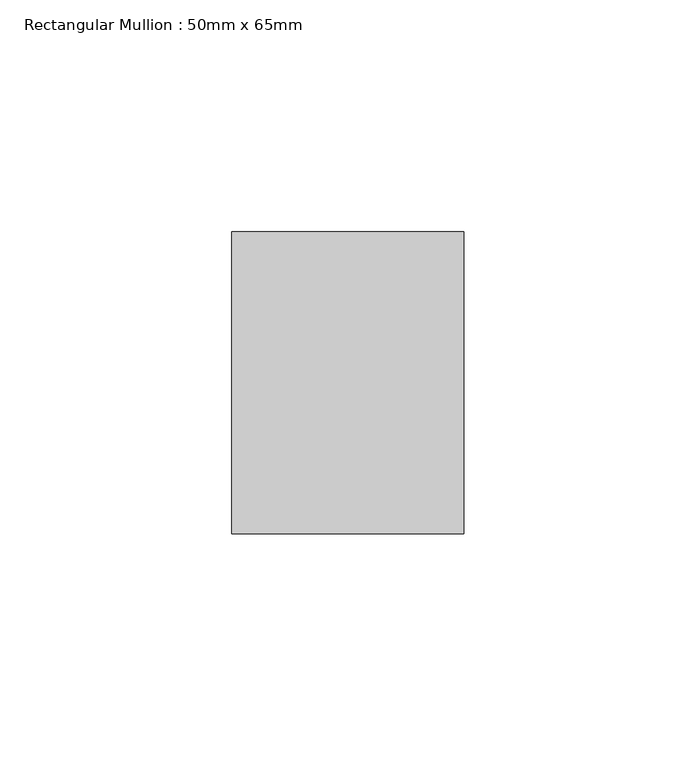
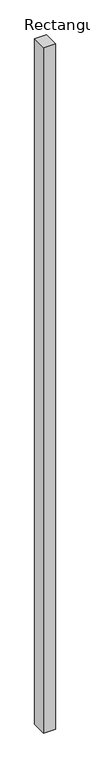
"""IFC4 building model written with IfcOpenShell, lengths in millimetres: member geometry, Rectangular Mullion : 50mm x 65mm."""

import ifcopenshell
import ifcopenshell.guid

model = None  # the IFC model being written
_history = None  # IfcOwnerHistory: only IFC2X3 demands one
_inside = {}  # id of a spatial element -> (the spatial element, [elements in it])
_under = {}  # id of a project, library or spatial element -> (it, [spatial elements below it])
_declared = {}  # id of a project -> (the project, [libraries it declares])
_typed = {}  # id of a type object -> (the type object, [elements of that type])
_made_of = {}  # id of a material, layer set ... -> (it, [elements and type objects made of it])


def new_model(schema):
    """Start an empty IFC model of exactly this schema.

    Asked for "IFC4X3", IfcOpenShell would pick the latest addendum, in which some entities
    have other attributes; the version numbers below select the first issue.
    IFC2X3 requires an IfcOwnerHistory on every rooted entity: one is made here for all.
    """
    global model, _history
    if schema == "IFC4X3":
        model = ifcopenshell.file(schema_version=(4, 3, 0, 0))
    else:
        model = ifcopenshell.file(schema=schema)
    _inside.clear()
    _under.clear()
    _declared.clear()
    _typed.clear()
    _made_of.clear()
    _history = None
    if model.schema == "IFC2X3":
        org = make("IfcOrganization", Name="unknown")
        user = make(
            "IfcPersonAndOrganization",
            ThePerson=make("IfcPerson", FamilyName="unknown"),
            TheOrganization=org,
        )
        app = make(
            "IfcApplication",
            ApplicationDeveloper=org,
            Version="unknown",
            ApplicationFullName="unknown",
            ApplicationIdentifier="unknown",
        )
        _history = make(
            "IfcOwnerHistory",
            OwningUser=user,
            OwningApplication=app,
            ChangeAction="ADDED",
            CreationDate=0,
        )
    return model


def make(cls, **values):
    """One entity of the class cls with the attributes given. An attribute that is None is left unset."""
    return model.create_entity(
        cls, **{name: value for name, value in values.items() if value is not None}
    )


def rooted(cls, **values):
    """An entity with a GlobalId (a new one), such as an element, a storey or a relation."""
    return make(cls, GlobalId=ifcopenshell.guid.new(), OwnerHistory=_history, **values)


def si_unit(unit_type, name, prefix=None):
    """IfcSIUnit, for example si_unit("LENGTHUNIT", "METRE", prefix="MILLI")."""
    return make("IfcSIUnit", UnitType=unit_type, Prefix=prefix, Name=name)


def assignment(units):
    """IfcUnitAssignment: the units of a project."""
    return None if units is None else make("IfcUnitAssignment", Units=units)


def point(xyz):
    """IfcCartesianPoint."""
    return None if xyz is None else make("IfcCartesianPoint", Coordinates=xyz)


def direction(xyz):
    """IfcDirection."""
    return None if xyz is None else make("IfcDirection", DirectionRatios=xyz)


def frame(location, z_axis=None, x_axis=None):
    """IfcAxis2Placement3D, a coordinate frame: its origin and axes. An axis left out is left unset."""
    return make(
        "IfcAxis2Placement3D",
        Location=point(location),
        Axis=direction(z_axis),
        RefDirection=direction(x_axis),
    )


def origin():
    """The frame at (0, 0, 0) with its axes left unset."""
    return frame((0.0, 0.0, 0.0))


def place(relative_to, where):
    """IfcLocalPlacement: puts the frame where relative to a parent placement (None: the world)."""
    return make(
        "IfcLocalPlacement", PlacementRelTo=relative_to, RelativePlacement=where
    )


def context(
    kind, dimensions, precision=None, world=None, true_north=None, identifier=None
):
    """IfcGeometricRepresentationContext, for example the 3D "Model" context."""
    return make(
        "IfcGeometricRepresentationContext",
        ContextIdentifier=identifier,
        ContextType=kind,
        CoordinateSpaceDimension=dimensions,
        Precision=precision,
        WorldCoordinateSystem=world,
        TrueNorth=true_north,
    )


def project(units=None, contexts=None):
    """IfcProject with its units and contexts."""
    return rooted(
        "IfcProject",
        Name="project",
        RepresentationContexts=contexts,
        UnitsInContext=assignment(units),
    )


def spatial(cls, under=None, at=None, **own):
    """A site, building, storey or space (cls), placed at a placement, below another one or the project."""
    s = rooted(cls, ObjectPlacement=at, **own)
    if under is not None:
        _under.setdefault(under.id(), (under, []))[1].append(s)
    return s


def polyline(points):
    """IfcPolyline through the points."""
    return make("IfcPolyline", Points=[point(p) for p in points])


def outline(outer, holes=None, kind="AREA"):
    """IfcArbitraryClosedProfileDef: a profile drawn as a closed curve; with holes, ...WithVoids."""
    if holes is None:
        return make("IfcArbitraryClosedProfileDef", ProfileType=kind, OuterCurve=outer)
    return make(
        "IfcArbitraryProfileDefWithVoids",
        ProfileType=kind,
        OuterCurve=outer,
        InnerCurves=holes,
    )


def extrude(swept, where, along, depth):
    """IfcExtrudedAreaSolid: the profile swept, set in the frame where, extruded along a direction by depth."""
    return make(
        "IfcExtrudedAreaSolid",
        SweptArea=swept,
        Position=where,
        ExtrudedDirection=direction(along),
        Depth=depth,
    )


def shape(context_of_items, identifier, shape_type, items):
    """IfcShapeRepresentation: the items that make up one representation, for example the "Body"."""
    return make(
        "IfcShapeRepresentation",
        ContextOfItems=context_of_items,
        RepresentationIdentifier=identifier,
        RepresentationType=shape_type,
        Items=items,
    )


def source(mapping_origin, context_of_items, identifier, shape_type, items):
    """IfcRepresentationMap: a shape defined once, which mapped items show again and again."""
    return make(
        "IfcRepresentationMap",
        MappingOrigin=mapping_origin,
        MappedRepresentation=shape(context_of_items, identifier, shape_type, items),
    )


def transform(
    local_origin,
    x_axis=None,
    y_axis=None,
    z_axis=None,
    scale=None,
    scale2=None,
    scale3=None,
    uniform=True,
):
    """IfcCartesianTransformationOperator3D, or its non-uniform kind. x_axis, y_axis, z_axis: its Axis1, 2, 3."""
    if uniform:
        return make(
            "IfcCartesianTransformationOperator3D",
            Axis1=direction(x_axis),
            Axis2=direction(y_axis),
            LocalOrigin=point(local_origin),
            Scale=scale,
            Axis3=direction(z_axis),
        )
    return make(
        "IfcCartesianTransformationOperator3DnonUniform",
        Axis1=direction(x_axis),
        Axis2=direction(y_axis),
        LocalOrigin=point(local_origin),
        Scale=scale,
        Axis3=direction(z_axis),
        Scale2=scale2,
        Scale3=scale3,
    )


def mapped(mapping_source, mapping_target):
    """IfcMappedItem: shows the shape of a source again, moved by a transform."""
    return make(
        "IfcMappedItem", MappingSource=mapping_source, MappingTarget=mapping_target
    )


def made_of(thing, what):
    """Note that an element or type object is made of a material, layer set ...; save() writes the relation."""
    if what is not None:
        _made_of.setdefault(what.id(), (what, []))[1].append(thing)
    return thing


def element(
    cls,
    number,
    at=None,
    inside=None,
    cuts=None,
    type_object=None,
    material=None,
    context=None,
    identifier="Body",
    shape_type=None,
    held_by="IfcProductDefinitionShape",
    body=None,
    shapes=None,
    **own,
):
    """One element of the class cls, such as IfcWall. Its Tag is "e" and its number.

    at: its placement. inside: the storey or other place that contains it. cuts: it is an
    opening in that element (IfcRelVoidsElement). A single representation is given by context,
    identifier, shape_type and body (its items); several are given by shapes. held_by: the class
    of the entity that holds the representations. save() writes the other relations.
    """
    e = rooted(cls, Tag="e%d" % number, ObjectPlacement=at, **own)
    if body is not None:
        shapes = [shape(context, identifier, shape_type, body)]
    if shapes is not None:
        e.Representation = make(held_by, Representations=shapes)
    if inside is not None:
        _inside.setdefault(inside.id(), (inside, []))[1].append(e)
    if cuts is not None:
        rooted(
            "IfcRelVoidsElement", RelatingBuildingElement=cuts, RelatedOpeningElement=e
        )
    if type_object is not None:
        _typed.setdefault(type_object.id(), (type_object, []))[1].append(e)
    return made_of(e, material)


def aggregate(whole, parts):
    """IfcRelAggregates: a whole, such as a stair, and the parts it consists of."""
    return rooted("IfcRelAggregates", RelatingObject=whole, RelatedObjects=parts)


def save(model, path):
    """Write the relations noted so far, then the file.

    IfcRelAggregates (storeys below a building ...), IfcRelContainedInSpatialStructure (elements
    in a storey), IfcRelDefinesByType, IfcRelAssociatesMaterial and IfcRelDeclares: one each for
    every whole, place, type object, material and project.
    """
    for whole, parts in _under.values():
        aggregate(whole, parts)
    for where, things in _inside.values():
        rooted(
            "IfcRelContainedInSpatialStructure",
            RelatedElements=things,
            RelatingStructure=where,
        )
    for kind, things in _typed.values():
        rooted("IfcRelDefinesByType", RelatedObjects=things, RelatingType=kind)
    for what, things in _made_of.values():
        rooted("IfcRelAssociatesMaterial", RelatedObjects=things, RelatingMaterial=what)
    for by, libraries in _declared.values():
        rooted("IfcRelDeclares", RelatingContext=by, RelatedDefinitions=libraries)
    model.write(path)


def rectangular_mullion_50mm_x_65mm_54eab85f(model_context):
    return source(origin(), model_context, "Body", "SweptSolid", [
        extrude(outline(polyline([(25.0, 32.5), (25.0, -32.5), (-25.0, -32.5), (-25.0, 32.5), (25.0, 32.5)])), frame((0.0, 0.0, -3078.710918), z_axis=(0.0, 0.0, 1.0), x_axis=(1.0, 0.0, 0.0)), (0.0, 0.0, 1.0), 3078.710918),
    ])


if __name__ == "__main__":
    model = new_model("IFC4")
    model_context = context("Model", 3, world=origin())
    ifc_project = project(units=[si_unit("LENGTHUNIT", "METRE", prefix="MILLI")], contexts=[model_context])
    site = spatial("IfcSite", under=ifc_project)
    building = spatial("IfcBuilding", under=site)
    placement = place(None, origin())
    rectangular_mullion_50mm_x_65mm_shape = rectangular_mullion_50mm_x_65mm_54eab85f(model_context)
    element("IfcMember", 1, ObjectType="Rectangular Mullion : 50mm x 65mm", at=placement, inside=building, context=model_context, shape_type="MappedRepresentation", body=[
        mapped(rectangular_mullion_50mm_x_65mm_shape, transform((0.0, 0.0, 0.0), x_axis=(1.0, 0.0, 0.0), y_axis=(0.0, 1.0, 0.0), z_axis=(0.0, 0.0, 1.0))),
    ])
    save(model, "model.ifc")
